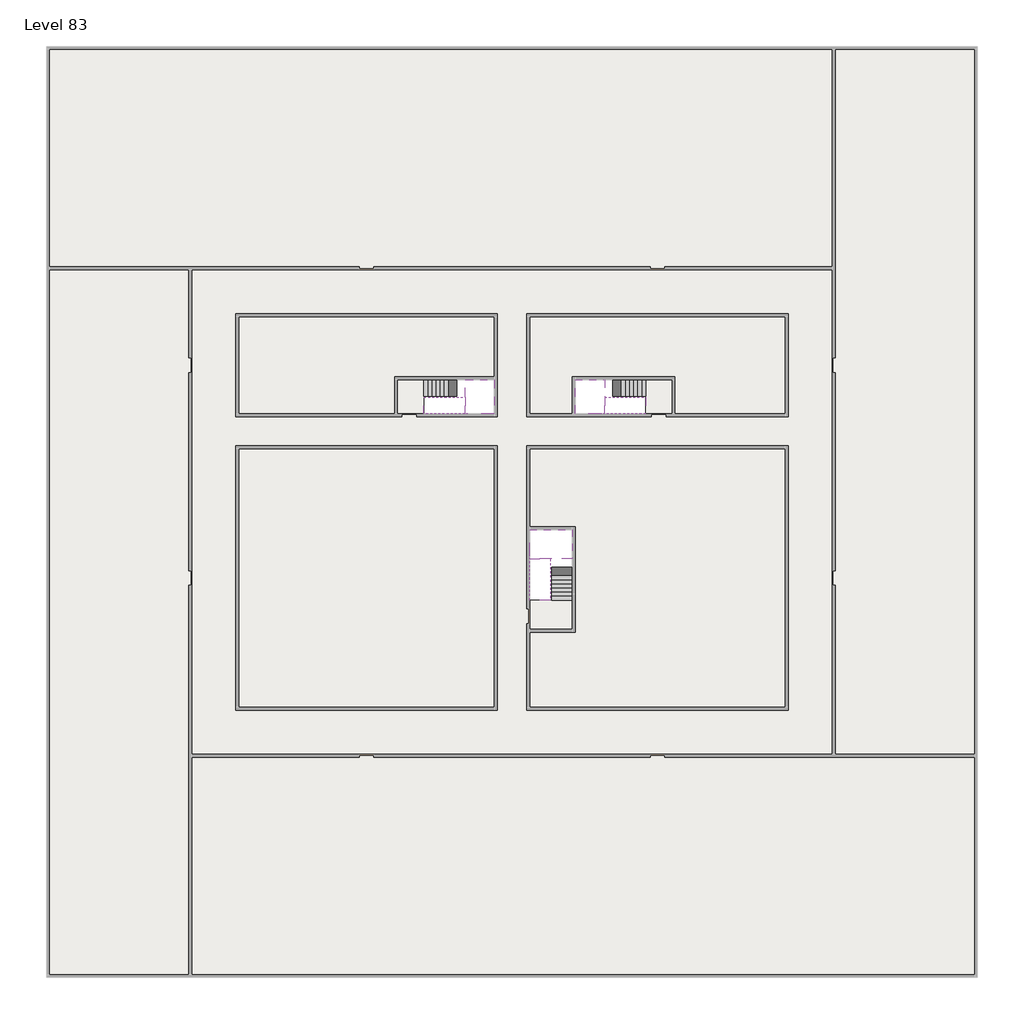
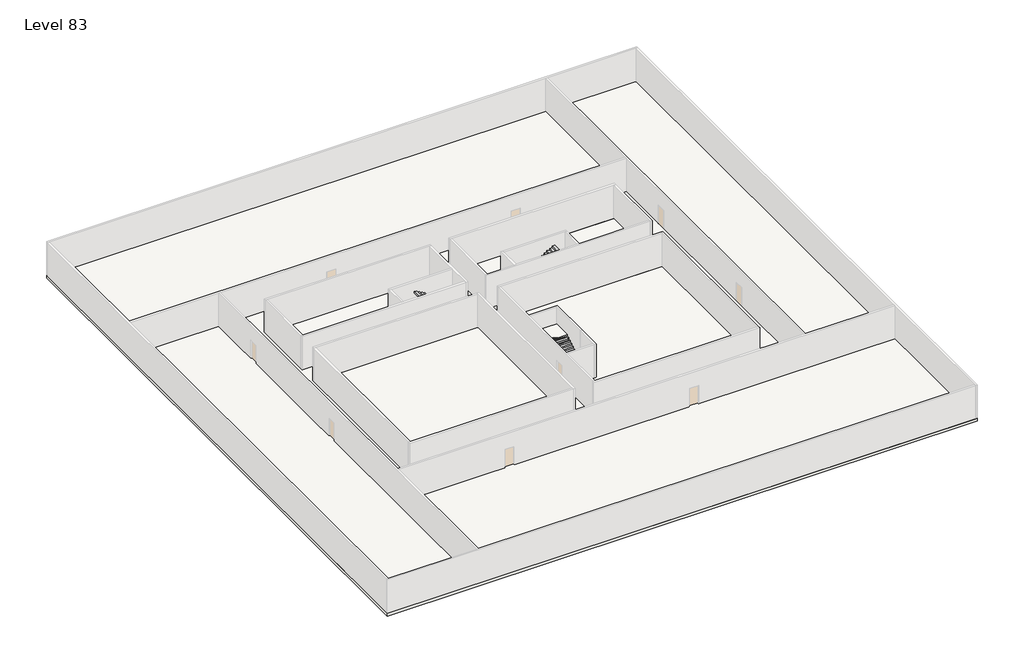
# One storey, part 2 of 2: 6 slabs, 6 stair flights.
"""IFC4 building model written with IfcOpenShell, lengths in millimetres."""

from ifc_helpers import new_model, si_unit, frame, origin, place, context, project, spatial, polyline, outline, extrude, faceted_brep, element, save

model = new_model("IFC4")

# Units and contexts
model_context = context("Model", 3, world=origin())
ifc_project = project(units=[si_unit("LENGTHUNIT", "METRE", prefix="MILLI")], contexts=[model_context])

# Site, building, storey
site = spatial("IfcSite", under=ifc_project)
building = spatial("IfcBuilding", under=site)
storey = spatial("IfcBuildingStorey", under=building, Name="Level 83", Elevation=311600.0)

# Slabs
placement = place(None, origin())
element("IfcSlab", 1, at=placement, inside=storey, context=model_context, shape_type="SweptSolid", body=[
    extrude(outline(polyline([(55890.1058784, -5518.09644), (55890.1058784, -68918.09644), (-7509.8941216, -68918.09644), (-7509.8941216, -5518.09644), (55890.1058784, -5518.09644)]), holes=[polyline([(22990.1058784, -23918.09644), (5590.1058784, -23918.09644), (5590.1058784, -30518.09644), (22990.1058784, -30518.09644), (22990.1058784, -23918.09644)]), polyline([(42990.1058784, -23918.09644), (25390.1058784, -23918.09644), (25390.1058784, -30518.09644), (42990.1058784, -30518.09644), (42990.1058784, -23918.09644)]), polyline([(25390.1058784, -50518.09644), (42790.1058784, -50518.09644), (42790.1058784, -32918.09644), (25390.1058784, -32918.09644), (25390.1058784, -50518.09644)]), polyline([(22990.1058784, -32918.09644), (5590.1058784, -32918.09644), (5590.1058784, -50518.09644), (22990.1058784, -50518.09644), (22990.1058784, -32918.09644)])]), frame((0.0, 0.0, 311300.0), z_axis=(0.0, 0.0, 1.0), x_axis=(1.0, 0.0, 0.0)), (0.0, 0.0, 1.0), 300.0),
])
element("IfcSlab", 2, at=placement, inside=storey, context=model_context, shape_type="SweptSolid", body=[
    extrude(outline(polyline([(22990.1058784, -23918.09644), (22990.1058784, -28018.09644), (16190.1058784, -28018.09644), (16190.1058784, -30518.09644), (5590.1058784, -30518.09644), (5590.1058784, -23918.09644), (22990.1058784, -23918.09644)])), frame((0.0, 0.0, 311300.0), z_axis=(0.0, 0.0, 1.0), x_axis=(1.0, 0.0, 0.0)), (0.0, 0.0, 1.0), 300.0),
    extrude(outline(polyline([(42790.1058784, -23918.09644), (42790.1058784, -30518.09644), (35290.1058784, -30518.09644), (35290.1058784, -28018.09644), (28490.1058784, -28018.09644), (28490.1058784, -30518.09644), (25390.1058784, -30518.09644), (25390.1058784, -23918.09644), (42790.1058784, -23918.09644)])), frame((0.0, 0.0, 311300.0), z_axis=(0.0, 0.0, 1.0), x_axis=(1.0, 0.0, 0.0)), (0.0, 0.0, 1.0), 300.0),
    extrude(outline(polyline([(22990.1058784, -32918.09644), (22990.1058784, -50518.09644), (5590.1058784, -50518.09644), (5590.1058784, -32918.09644), (22990.1058784, -32918.09644)])), frame((0.0, 0.0, 311300.0), z_axis=(0.0, 0.0, 1.0), x_axis=(1.0, 0.0, 0.0)), (0.0, 0.0, 1.0), 300.0),
    extrude(outline(polyline([(25390.1058784, -38218.09644), (25390.1058784, -32918.09644), (42790.1058784, -32918.09644), (42790.1058784, -50518.09644), (25390.1058784, -50518.09644), (25390.1058784, -45418.09644), (28490.1058784, -45418.09644), (28490.1058784, -38218.09644), (25390.1058784, -38218.09644)])), frame((0.0, 0.0, 311300.0), z_axis=(0.0, 0.0, 1.0), x_axis=(1.0, 0.0, 0.0)), (0.0, 0.0, 1.0), 300.0),
])
element("IfcSlab", 3, at=placement, inside=storey, context=model_context, shape_type="Brep", body=[
    faceted_brep([(26890.1058784, -40418.09644, 313500.0), (28290.1058784, -40418.09644, 313500.0), (28290.1058784, -40338.7100038, 313500.0), (28290.1058784, -38418.09644, 313500.0), (25390.1058784, -38418.09644, 313500.0), (25390.1058784, -40217.4828763, 313500.0), (25390.1058784, -40418.09644, 313500.0), (26790.1058784, -40418.09644, 313500.0), (26890.1058784, -40418.09644, 313200.0), (26890.1058784, -40418.09644, 313151.0278478), (28290.1058784, -40418.09644, 313151.0278478), (28290.1058784, -40418.09644, 313327.2727273), (28290.1058784, -40338.7100038, 313200.0), (28290.1058784, -38418.09644, 313200.0), (25390.1058784, -38418.09644, 313200.0), (25390.1058784, -40217.4828763, 313200.0), (25390.1058784, -40418.09644, 313323.7551205), (26790.1058784, -40418.09644, 313323.7551205), (26790.1058784, -40418.09644, 313200.0), (26790.1058784, -40217.4828763, 313200.0), (26890.1058784, -40338.7100038, 313200.0)], [[[0, 1, 2, 3, 4, 5, 6, 7]], [[1, 0, 8, 9, 10, 11]], [[1, 11, 10, 12, 13, 3, 2]], [[4, 3, 13, 14]], [[4, 14, 15, 16, 6, 5]], [[7, 6, 16, 17]], [[0, 7, 17, 18, 8]], [[18, 19, 15, 14, 13, 12, 20, 8]], [[19, 18, 17]], [[20, 12, 10, 9]], [[8, 20, 9]], [[15, 19, 17, 16]]]),
])
element("IfcSlab", 4, at=placement, inside=storey, context=model_context, shape_type="Brep", body=[
    faceted_brep([(20990.1058784, -28218.09644, 313500.0), (20990.1058784, -29318.09644, 313500.0), (20990.1058784, -29418.09644, 313500.0), (20990.1058784, -30518.09644, 313500.0), (21190.7194421, -30518.09644, 313500.0), (22990.1058784, -30518.09644, 313500.0), (22990.1058784, -28218.09644, 313500.0), (21069.4923146, -28218.09644, 313500.0), (20990.1058784, -28218.09644, 313327.2727273), (20990.1058784, -28218.09644, 313151.0278478), (20990.1058784, -29318.09644, 313151.0278478), (20990.1058784, -29318.09644, 313200.0), (20990.1058784, -29418.09644, 313200.0), (20990.1058784, -29418.09644, 313323.7551205), (20990.1058784, -30518.09644, 313323.7551205), (21190.7194421, -30518.09644, 313200.0), (22990.1058784, -30518.09644, 313200.0), (22990.1058784, -28218.09644, 313200.0), (21069.4923146, -28218.09644, 313200.0), (21190.7194421, -29418.09644, 313200.0), (21069.4923146, -29318.09644, 313200.0)], [[[0, 1, 2, 3, 4, 5, 6, 7]], [[1, 0, 8, 9, 10, 11]], [[2, 1, 11, 12, 13]], [[3, 2, 13, 14]], [[3, 14, 15, 16, 5, 4]], [[6, 5, 16, 17]], [[9, 8, 0, 7, 6, 17, 18]], [[19, 12, 11, 20, 18, 17, 16, 15]], [[12, 19, 13]], [[18, 20, 10, 9]], [[20, 11, 10]], [[19, 15, 14, 13]]]),
])
element("IfcSlab", 5, at=placement, inside=storey, context=model_context, shape_type="Brep", body=[
    faceted_brep([(30490.1058784, -29318.09644, 313500.0), (30490.1058784, -28218.09644, 313500.0), (30410.7194421, -28218.09644, 313500.0), (28490.1058784, -28218.09644, 313500.0), (28490.1058784, -30518.09644, 313500.0), (30289.4923146, -30518.09644, 313500.0), (30490.1058784, -30518.09644, 313500.0), (30490.1058784, -29418.09644, 313500.0), (30490.1058784, -29318.09644, 313200.0), (30490.1058784, -29318.09644, 313151.0278478), (30490.1058784, -28218.09644, 313151.0278478), (30490.1058784, -28218.09644, 313327.2727273), (30490.1058784, -29418.09644, 313323.7551205), (30490.1058784, -29418.09644, 313200.0), (30490.1058784, -30518.09644, 313323.7551205), (28490.1058784, -30518.09644, 313200.0), (30289.4923146, -30518.09644, 313200.0), (28490.1058784, -28218.09644, 313200.0), (30410.7194421, -28218.09644, 313200.0), (30289.4923146, -29418.09644, 313200.0), (30410.7194421, -29318.09644, 313200.0)], [[[0, 1, 2, 3, 4, 5, 6, 7]], [[1, 0, 8, 9, 10, 11]], [[0, 7, 12, 13, 8]], [[7, 6, 14, 12]], [[4, 15, 16, 14, 6, 5]], [[4, 3, 17, 15]], [[1, 11, 10, 18, 17, 3, 2]], [[13, 19, 16, 15, 17, 18, 20, 8]], [[20, 18, 10, 9]], [[8, 20, 9]], [[16, 19, 12, 14]], [[19, 13, 12]]]),
])
element("IfcSlab", 6, at=placement, inside=storey, context=model_context, shape_type="SweptSolid", body=[
    extrude(outline(polyline([(35090.1058784, -28218.09644), (35090.1058784, -30518.09644), (33290.1058784, -30518.09644), (33290.1058784, -28218.09644), (35090.1058784, -28218.09644)])), frame((0.0, 0.0, 311300.0), z_axis=(0.0, 0.0, 1.0), x_axis=(1.0, 0.0, 0.0)), (0.0, 0.0, 1.0), 300.0),
    extrude(outline(polyline([(18190.1058784, -28218.09644), (18190.1058784, -30518.09644), (16390.1058784, -30518.09644), (16390.1058784, -28218.09644), (18190.1058784, -28218.09644)])), frame((0.0, 0.0, 311300.0), z_axis=(0.0, 0.0, 1.0), x_axis=(1.0, 0.0, 0.0)), (0.0, 0.0, 1.0), 300.0),
    extrude(outline(polyline([(28290.1058784, -43218.09644), (28290.1058784, -45218.09644), (25390.1058784, -45218.09644), (25390.1058784, -43218.09644), (28290.1058784, -43218.09644)])), frame((0.0, 0.0, 311300.0), z_axis=(0.0, 0.0, 1.0), x_axis=(1.0, 0.0, 0.0)), (0.0, 0.0, 1.0), 300.0),
])

# Stair flights
element("IfcStairFlight", 7, at=placement, inside=storey, context=model_context, shape_type="Brep", body=[
    faceted_brep([(26890.1058784, -42938.09644, 311772.7272727), (26890.1058784, -43218.09644, 311772.7272727), (28290.1058784, -43218.09644, 311772.7272727), (28290.1058784, -42938.09644, 311772.7272727), (26890.1058784, -42938.09644, 311600.0), (26890.1058784, -43218.09644, 311600.0), (28290.1058784, -43218.09644, 311600.0), (28290.1058784, -42938.09644, 311600.0), (26890.1058784, -42658.09644, 311945.4545455), (26890.1058784, -42938.09644, 311945.4545455), (28290.1058784, -42938.09644, 311945.4545455), (28290.1058784, -42658.09644, 311945.4545455), (26890.1058784, -42658.09644, 311769.209666), (26890.1058784, -42932.3942143, 311600.0), (28290.1058784, -42932.3942143, 311600.0), (28290.1058784, -42658.09644, 311769.209666), (26890.1058784, -42378.09644, 312118.1818182), (26890.1058784, -42658.09644, 312118.1818182), (28290.1058784, -42658.09644, 312118.1818182), (28290.1058784, -42378.09644, 312118.1818182), (26890.1058784, -42378.09644, 311941.9369387), (28290.1058784, -42378.09644, 311941.9369387), (26890.1058784, -42098.09644, 312290.9090909), (26890.1058784, -42378.09644, 312290.9090909), (28290.1058784, -42378.09644, 312290.9090909), (28290.1058784, -42098.09644, 312290.9090909), (26890.1058784, -42098.09644, 312114.6642114), (28290.1058784, -42098.09644, 312114.6642114), (26890.1058784, -41818.09644, 312463.6363636), (26890.1058784, -42098.09644, 312463.6363636), (28290.1058784, -42098.09644, 312463.6363636), (28290.1058784, -41818.09644, 312463.6363636), (26890.1058784, -41818.09644, 312287.3914841), (28290.1058784, -41818.09644, 312287.3914841), (26890.1058784, -41538.09644, 312636.3636364), (26890.1058784, -41818.09644, 312636.3636364), (28290.1058784, -41818.09644, 312636.3636364), (28290.1058784, -41538.09644, 312636.3636364), (26890.1058784, -41538.09644, 312460.1187569), (28290.1058784, -41538.09644, 312460.1187569), (26890.1058784, -41258.09644, 312809.0909091), (26890.1058784, -41538.09644, 312809.0909091), (28290.1058784, -41538.09644, 312809.0909091), (28290.1058784, -41258.09644, 312809.0909091), (26890.1058784, -41258.09644, 312632.8460296), (28290.1058784, -41258.09644, 312632.8460296), (26890.1058784, -40978.09644, 312981.8181818), (26890.1058784, -41258.09644, 312981.8181818), (28290.1058784, -41258.09644, 312981.8181818), (28290.1058784, -40978.09644, 312981.8181818), (26890.1058784, -40978.09644, 312805.5733023), (28290.1058784, -40978.09644, 312805.5733023), (26890.1058784, -40698.09644, 313154.5454545), (26890.1058784, -40978.09644, 313154.5454545), (28290.1058784, -40978.09644, 313154.5454545), (28290.1058784, -40698.09644, 313154.5454545), (26890.1058784, -40698.09644, 312978.3005751), (28290.1058784, -40698.09644, 312978.3005751), (26890.1058784, -40418.09644, 313327.2727273), (26890.1058784, -40698.09644, 313327.2727273), (28290.1058784, -40698.09644, 313327.2727273), (28290.1058784, -40418.09644, 313327.2727273), (26890.1058784, -40418.09644, 313200.0), (26890.1058784, -40418.09644, 313151.0278478), (28290.1058784, -40418.09644, 313151.0278478)], [[[0, 1, 2, 3]], [[1, 0, 4, 5]], [[2, 1, 5, 6]], [[3, 2, 6, 7]], [[8, 9, 10, 11]], [[4, 0, 9, 8, 12, 13]], [[0, 3, 10, 9]], [[3, 7, 14, 15, 11, 10]], [[16, 17, 18, 19]], [[17, 16, 20, 12, 8]], [[8, 11, 18, 17]], [[19, 18, 11, 15, 21]], [[22, 23, 24, 25]], [[23, 22, 26, 20, 16]], [[16, 19, 24, 23]], [[25, 24, 19, 21, 27]], [[28, 29, 30, 31]], [[29, 28, 32, 26, 22]], [[22, 25, 30, 29]], [[31, 30, 25, 27, 33]], [[34, 35, 36, 37]], [[35, 34, 38, 32, 28]], [[28, 31, 36, 35]], [[37, 36, 31, 33, 39]], [[40, 41, 42, 43]], [[41, 40, 44, 38, 34]], [[34, 37, 42, 41]], [[43, 42, 37, 39, 45]], [[46, 47, 48, 49]], [[47, 46, 50, 44, 40]], [[40, 43, 48, 47]], [[49, 48, 43, 45, 51]], [[52, 53, 54, 55]], [[53, 52, 56, 50, 46]], [[46, 49, 54, 53]], [[55, 54, 49, 51, 57]], [[58, 59, 60, 61]], [[59, 58, 62, 63, 56, 52]], [[52, 55, 60, 59]], [[61, 60, 55, 57, 64]], [[58, 61, 64, 63, 62]], [[5, 4, 13, 14, 7, 6]], [[14, 13, 12, 20, 26, 32, 38, 44, 50, 56, 63, 64, 57, 51, 45, 39, 33, 27, 21, 15]]]),
])
element("IfcStairFlight", 8, at=placement, inside=storey, context=model_context, shape_type="Brep", body=[
    faceted_brep([(26790.1058784, -40698.09644, 313672.7272727), (26790.1058784, -40418.09644, 313672.7272727), (25390.1058784, -40418.09644, 313672.7272727), (25390.1058784, -40698.09644, 313672.7272727), (26790.1058784, -40698.09644, 313496.4823932), (26790.1058784, -40418.09644, 313323.7551205), (25390.1058784, -40418.09644, 313323.7551205), (25390.1058784, -40418.09644, 313500.0), (25390.1058784, -40698.09644, 313496.4823932), (26790.1058784, -40978.09644, 313845.4545455), (26790.1058784, -40698.09644, 313845.4545455), (25390.1058784, -40698.09644, 313845.4545455), (25390.1058784, -40978.09644, 313845.4545455), (26790.1058784, -40978.09644, 313669.209666), (25390.1058784, -40978.09644, 313669.209666), (26790.1058784, -41258.09644, 314018.1818182), (26790.1058784, -40978.09644, 314018.1818182), (25390.1058784, -40978.09644, 314018.1818182), (25390.1058784, -41258.09644, 314018.1818182), (26790.1058784, -41258.09644, 313841.9369387), (25390.1058784, -41258.09644, 313841.9369387), (26790.1058784, -41538.09644, 314190.9090909), (26790.1058784, -41258.09644, 314190.9090909), (25390.1058784, -41258.09644, 314190.9090909), (25390.1058784, -41538.09644, 314190.9090909), (26790.1058784, -41538.09644, 314014.6642114), (25390.1058784, -41538.09644, 314014.6642114), (26790.1058784, -41818.09644, 314363.6363636), (26790.1058784, -41538.09644, 314363.6363636), (25390.1058784, -41538.09644, 314363.6363636), (25390.1058784, -41818.09644, 314363.6363636), (26790.1058784, -41818.09644, 314187.3914841), (25390.1058784, -41818.09644, 314187.3914841), (26790.1058784, -42098.09644, 314536.3636364), (26790.1058784, -41818.09644, 314536.3636364), (25390.1058784, -41818.09644, 314536.3636364), (25390.1058784, -42098.09644, 314536.3636364), (26790.1058784, -42098.09644, 314360.1187569), (25390.1058784, -42098.09644, 314360.1187569), (26790.1058784, -42378.09644, 314709.0909091), (26790.1058784, -42098.09644, 314709.0909091), (25390.1058784, -42098.09644, 314709.0909091), (25390.1058784, -42378.09644, 314709.0909091), (26790.1058784, -42378.09644, 314532.8460296), (25390.1058784, -42378.09644, 314532.8460296), (26790.1058784, -42658.09644, 314881.8181818), (26790.1058784, -42378.09644, 314881.8181818), (25390.1058784, -42378.09644, 314881.8181818), (25390.1058784, -42658.09644, 314881.8181818), (26790.1058784, -42658.09644, 314705.5733023), (25390.1058784, -42658.09644, 314705.5733023), (26790.1058784, -42938.09644, 315054.5454545), (26790.1058784, -42658.09644, 315054.5454545), (25390.1058784, -42658.09644, 315054.5454545), (25390.1058784, -42938.09644, 315054.5454545), (26790.1058784, -42938.09644, 314878.3005751), (25390.1058784, -42938.09644, 314878.3005751), (26790.1058784, -43218.09644, 315227.2727273), (26790.1058784, -42938.09644, 315227.2727273), (25390.1058784, -42938.09644, 315227.2727273), (25390.1058784, -43218.09644, 315227.2727273), (26790.1058784, -43218.09644, 315051.0278478), (25390.1058784, -43218.09644, 315051.0278478)], [[[0, 1, 2, 3]], [[1, 0, 4, 5]], [[2, 1, 5, 6, 7]], [[3, 2, 7, 6, 8]], [[9, 10, 11, 12]], [[10, 9, 13, 4, 0]], [[11, 10, 0, 3]], [[12, 11, 3, 8, 14]], [[15, 16, 17, 18]], [[16, 15, 19, 13, 9]], [[17, 16, 9, 12]], [[18, 17, 12, 14, 20]], [[21, 22, 23, 24]], [[22, 21, 25, 19, 15]], [[23, 22, 15, 18]], [[24, 23, 18, 20, 26]], [[27, 28, 29, 30]], [[28, 27, 31, 25, 21]], [[29, 28, 21, 24]], [[30, 29, 24, 26, 32]], [[33, 34, 35, 36]], [[34, 33, 37, 31, 27]], [[35, 34, 27, 30]], [[36, 35, 30, 32, 38]], [[39, 40, 41, 42]], [[40, 39, 43, 37, 33]], [[41, 40, 33, 36]], [[42, 41, 36, 38, 44]], [[45, 46, 47, 48]], [[46, 45, 49, 43, 39]], [[47, 46, 39, 42]], [[48, 47, 42, 44, 50]], [[51, 52, 53, 54]], [[52, 51, 55, 49, 45]], [[53, 52, 45, 48]], [[54, 53, 48, 50, 56]], [[57, 58, 59, 60]], [[58, 57, 61, 55, 51]], [[59, 58, 51, 54]], [[60, 59, 54, 56, 62]], [[57, 60, 62, 61]], [[5, 4, 13, 19, 25, 31, 37, 43, 49, 55, 61, 62, 56, 50, 44, 38, 32, 26, 20, 14, 8, 6]]]),
])
element("IfcStairFlight", 9, at=placement, inside=storey, context=model_context, shape_type="Brep", body=[
    faceted_brep([(18470.1058784, -28218.09644, 311772.7272727), (18190.1058784, -28218.09644, 311772.7272727), (18190.1058784, -29318.09644, 311772.7272727), (18470.1058784, -29318.09644, 311772.7272727), (18470.1058784, -28218.09644, 311600.0), (18190.1058784, -28218.09644, 311600.0), (18190.1058784, -29318.09644, 311600.0), (18470.1058784, -29318.09644, 311600.0), (18750.1058784, -28218.09644, 311945.4545455), (18470.1058784, -28218.09644, 311945.4545455), (18470.1058784, -29318.09644, 311945.4545455), (18750.1058784, -29318.09644, 311945.4545455), (18750.1058784, -28218.09644, 311769.209666), (18475.8081041, -28218.09644, 311600.0), (18475.8081041, -29318.09644, 311600.0), (18750.1058784, -29318.09644, 311769.209666), (19030.1058784, -28218.09644, 312118.1818182), (18750.1058784, -28218.09644, 312118.1818182), (18750.1058784, -29318.09644, 312118.1818182), (19030.1058784, -29318.09644, 312118.1818182), (19030.1058784, -28218.09644, 311941.9369387), (19030.1058784, -29318.09644, 311941.9369387), (19310.1058784, -28218.09644, 312290.9090909), (19030.1058784, -28218.09644, 312290.9090909), (19030.1058784, -29318.09644, 312290.9090909), (19310.1058784, -29318.09644, 312290.9090909), (19310.1058784, -28218.09644, 312114.6642114), (19310.1058784, -29318.09644, 312114.6642114), (19590.1058784, -28218.09644, 312463.6363636), (19310.1058784, -28218.09644, 312463.6363636), (19310.1058784, -29318.09644, 312463.6363636), (19590.1058784, -29318.09644, 312463.6363636), (19590.1058784, -28218.09644, 312287.3914841), (19590.1058784, -29318.09644, 312287.3914841), (19870.1058784, -28218.09644, 312636.3636364), (19590.1058784, -28218.09644, 312636.3636364), (19590.1058784, -29318.09644, 312636.3636364), (19870.1058784, -29318.09644, 312636.3636364), (19870.1058784, -28218.09644, 312460.1187569), (19870.1058784, -29318.09644, 312460.1187569), (20150.1058784, -28218.09644, 312809.0909091), (19870.1058784, -28218.09644, 312809.0909091), (19870.1058784, -29318.09644, 312809.0909091), (20150.1058784, -29318.09644, 312809.0909091), (20150.1058784, -28218.09644, 312632.8460296), (20150.1058784, -29318.09644, 312632.8460296), (20430.1058784, -28218.09644, 312981.8181818), (20150.1058784, -28218.09644, 312981.8181818), (20150.1058784, -29318.09644, 312981.8181818), (20430.1058784, -29318.09644, 312981.8181818), (20430.1058784, -28218.09644, 312805.5733023), (20430.1058784, -29318.09644, 312805.5733023), (20710.1058784, -28218.09644, 313154.5454545), (20430.1058784, -28218.09644, 313154.5454545), (20430.1058784, -29318.09644, 313154.5454545), (20710.1058784, -29318.09644, 313154.5454545), (20710.1058784, -28218.09644, 312978.3005751), (20710.1058784, -29318.09644, 312978.3005751), (20990.1058784, -28218.09644, 313327.2727273), (20710.1058784, -28218.09644, 313327.2727273), (20710.1058784, -29318.09644, 313327.2727273), (20990.1058784, -29318.09644, 313327.2727273), (20990.1058784, -28218.09644, 313151.0278478), (20990.1058784, -29318.09644, 313151.0278478), (20990.1058784, -29318.09644, 313200.0)], [[[0, 1, 2, 3]], [[1, 0, 4, 5]], [[2, 1, 5, 6]], [[3, 2, 6, 7]], [[8, 9, 10, 11]], [[4, 0, 9, 8, 12, 13]], [[0, 3, 10, 9]], [[3, 7, 14, 15, 11, 10]], [[16, 17, 18, 19]], [[17, 16, 20, 12, 8]], [[8, 11, 18, 17]], [[19, 18, 11, 15, 21]], [[22, 23, 24, 25]], [[23, 22, 26, 20, 16]], [[16, 19, 24, 23]], [[25, 24, 19, 21, 27]], [[28, 29, 30, 31]], [[29, 28, 32, 26, 22]], [[22, 25, 30, 29]], [[31, 30, 25, 27, 33]], [[34, 35, 36, 37]], [[35, 34, 38, 32, 28]], [[28, 31, 36, 35]], [[37, 36, 31, 33, 39]], [[40, 41, 42, 43]], [[41, 40, 44, 38, 34]], [[34, 37, 42, 41]], [[43, 42, 37, 39, 45]], [[46, 47, 48, 49]], [[47, 46, 50, 44, 40]], [[40, 43, 48, 47]], [[49, 48, 43, 45, 51]], [[52, 53, 54, 55]], [[53, 52, 56, 50, 46]], [[46, 49, 54, 53]], [[55, 54, 49, 51, 57]], [[58, 59, 60, 61]], [[59, 58, 62, 56, 52]], [[52, 55, 60, 59]], [[61, 60, 55, 57, 63, 64]], [[58, 61, 64, 63, 62]], [[5, 4, 13, 14, 7, 6]], [[14, 13, 12, 20, 26, 32, 38, 44, 50, 56, 62, 63, 57, 51, 45, 39, 33, 27, 21, 15]]]),
])
element("IfcStairFlight", 10, at=placement, inside=storey, context=model_context, shape_type="Brep", body=[
    faceted_brep([(20710.1058784, -30518.09644, 313672.7272727), (20990.1058784, -30518.09644, 313672.7272727), (20990.1058784, -29418.09644, 313672.7272727), (20710.1058784, -29418.09644, 313672.7272727), (20710.1058784, -30518.09644, 313496.4823932), (20990.1058784, -30518.09644, 313323.7551205), (20990.1058784, -30518.09644, 313500.0), (20990.1058784, -29418.09644, 313323.7551205), (20710.1058784, -29418.09644, 313496.4823932), (20430.1058784, -30518.09644, 313845.4545455), (20710.1058784, -30518.09644, 313845.4545455), (20710.1058784, -29418.09644, 313845.4545455), (20430.1058784, -29418.09644, 313845.4545455), (20430.1058784, -30518.09644, 313669.209666), (20430.1058784, -29418.09644, 313669.209666), (20150.1058784, -30518.09644, 314018.1818182), (20430.1058784, -30518.09644, 314018.1818182), (20430.1058784, -29418.09644, 314018.1818182), (20150.1058784, -29418.09644, 314018.1818182), (20150.1058784, -30518.09644, 313841.9369387), (20150.1058784, -29418.09644, 313841.9369387), (19870.1058784, -30518.09644, 314190.9090909), (20150.1058784, -30518.09644, 314190.9090909), (20150.1058784, -29418.09644, 314190.9090909), (19870.1058784, -29418.09644, 314190.9090909), (19870.1058784, -30518.09644, 314014.6642114), (19870.1058784, -29418.09644, 314014.6642114), (19590.1058784, -30518.09644, 314363.6363636), (19870.1058784, -30518.09644, 314363.6363636), (19870.1058784, -29418.09644, 314363.6363636), (19590.1058784, -29418.09644, 314363.6363636), (19590.1058784, -30518.09644, 314187.3914841), (19590.1058784, -29418.09644, 314187.3914841), (19310.1058784, -30518.09644, 314536.3636364), (19590.1058784, -30518.09644, 314536.3636364), (19590.1058784, -29418.09644, 314536.3636364), (19310.1058784, -29418.09644, 314536.3636364), (19310.1058784, -30518.09644, 314360.1187569), (19310.1058784, -29418.09644, 314360.1187569), (19030.1058784, -30518.09644, 314709.0909091), (19310.1058784, -30518.09644, 314709.0909091), (19310.1058784, -29418.09644, 314709.0909091), (19030.1058784, -29418.09644, 314709.0909091), (19030.1058784, -30518.09644, 314532.8460296), (19030.1058784, -29418.09644, 314532.8460296), (18750.1058784, -30518.09644, 314881.8181818), (19030.1058784, -30518.09644, 314881.8181818), (19030.1058784, -29418.09644, 314881.8181818), (18750.1058784, -29418.09644, 314881.8181818), (18750.1058784, -30518.09644, 314705.5733023), (18750.1058784, -29418.09644, 314705.5733023), (18470.1058784, -30518.09644, 315054.5454545), (18750.1058784, -30518.09644, 315054.5454545), (18750.1058784, -29418.09644, 315054.5454545), (18470.1058784, -29418.09644, 315054.5454545), (18470.1058784, -30518.09644, 314878.3005751), (18470.1058784, -29418.09644, 314878.3005751), (18190.1058784, -30518.09644, 315227.2727273), (18470.1058784, -30518.09644, 315227.2727273), (18470.1058784, -29418.09644, 315227.2727273), (18190.1058784, -29418.09644, 315227.2727273), (18190.1058784, -30518.09644, 315051.0278478), (18190.1058784, -29418.09644, 315051.0278478)], [[[0, 1, 2, 3]], [[1, 0, 4, 5, 6]], [[2, 1, 6, 5, 7]], [[3, 2, 7, 8]], [[9, 10, 11, 12]], [[10, 9, 13, 4, 0]], [[11, 10, 0, 3]], [[12, 11, 3, 8, 14]], [[15, 16, 17, 18]], [[16, 15, 19, 13, 9]], [[17, 16, 9, 12]], [[18, 17, 12, 14, 20]], [[21, 22, 23, 24]], [[22, 21, 25, 19, 15]], [[23, 22, 15, 18]], [[24, 23, 18, 20, 26]], [[27, 28, 29, 30]], [[28, 27, 31, 25, 21]], [[29, 28, 21, 24]], [[30, 29, 24, 26, 32]], [[33, 34, 35, 36]], [[34, 33, 37, 31, 27]], [[35, 34, 27, 30]], [[36, 35, 30, 32, 38]], [[39, 40, 41, 42]], [[40, 39, 43, 37, 33]], [[41, 40, 33, 36]], [[42, 41, 36, 38, 44]], [[45, 46, 47, 48]], [[46, 45, 49, 43, 39]], [[47, 46, 39, 42]], [[48, 47, 42, 44, 50]], [[51, 52, 53, 54]], [[52, 51, 55, 49, 45]], [[53, 52, 45, 48]], [[54, 53, 48, 50, 56]], [[57, 58, 59, 60]], [[58, 57, 61, 55, 51]], [[59, 58, 51, 54]], [[60, 59, 54, 56, 62]], [[57, 60, 62, 61]], [[5, 4, 13, 19, 25, 31, 37, 43, 49, 55, 61, 62, 56, 50, 44, 38, 32, 26, 20, 14, 8, 7]]]),
])
element("IfcStairFlight", 11, at=placement, inside=storey, context=model_context, shape_type="Brep", body=[
    faceted_brep([(33010.1058784, -29318.09644, 311772.7272727), (33290.1058784, -29318.09644, 311772.7272727), (33290.1058784, -28218.09644, 311772.7272727), (33010.1058784, -28218.09644, 311772.7272727), (33290.1058784, -28218.09644, 311600.0), (33010.1058784, -28218.09644, 311600.0), (33290.1058784, -29318.09644, 311600.0), (33010.1058784, -29318.09644, 311600.0), (32730.1058784, -29318.09644, 311945.4545455), (33010.1058784, -29318.09644, 311945.4545455), (33010.1058784, -28218.09644, 311945.4545455), (32730.1058784, -28218.09644, 311945.4545455), (33004.4036527, -28218.09644, 311600.0), (32730.1058784, -28218.09644, 311769.209666), (32730.1058784, -29318.09644, 311769.209666), (33004.4036527, -29318.09644, 311600.0), (32450.1058784, -29318.09644, 312118.1818182), (32730.1058784, -29318.09644, 312118.1818182), (32730.1058784, -28218.09644, 312118.1818182), (32450.1058784, -28218.09644, 312118.1818182), (32450.1058784, -28218.09644, 311941.9369387), (32450.1058784, -29318.09644, 311941.9369387), (32170.1058784, -29318.09644, 312290.9090909), (32450.1058784, -29318.09644, 312290.9090909), (32450.1058784, -28218.09644, 312290.9090909), (32170.1058784, -28218.09644, 312290.9090909), (32170.1058784, -28218.09644, 312114.6642114), (32170.1058784, -29318.09644, 312114.6642114), (31890.1058784, -29318.09644, 312463.6363636), (32170.1058784, -29318.09644, 312463.6363636), (32170.1058784, -28218.09644, 312463.6363636), (31890.1058784, -28218.09644, 312463.6363636), (31890.1058784, -28218.09644, 312287.3914841), (31890.1058784, -29318.09644, 312287.3914841), (31610.1058784, -29318.09644, 312636.3636364), (31890.1058784, -29318.09644, 312636.3636364), (31890.1058784, -28218.09644, 312636.3636364), (31610.1058784, -28218.09644, 312636.3636364), (31610.1058784, -28218.09644, 312460.1187569), (31610.1058784, -29318.09644, 312460.1187569), (31330.1058784, -29318.09644, 312809.0909091), (31610.1058784, -29318.09644, 312809.0909091), (31610.1058784, -28218.09644, 312809.0909091), (31330.1058784, -28218.09644, 312809.0909091), (31330.1058784, -28218.09644, 312632.8460296), (31330.1058784, -29318.09644, 312632.8460296), (31050.1058784, -29318.09644, 312981.8181818), (31330.1058784, -29318.09644, 312981.8181818), (31330.1058784, -28218.09644, 312981.8181818), (31050.1058784, -28218.09644, 312981.8181818), (31050.1058784, -28218.09644, 312805.5733023), (31050.1058784, -29318.09644, 312805.5733023), (30770.1058784, -29318.09644, 313154.5454545), (31050.1058784, -29318.09644, 313154.5454545), (31050.1058784, -28218.09644, 313154.5454545), (30770.1058784, -28218.09644, 313154.5454545), (30770.1058784, -28218.09644, 312978.3005751), (30770.1058784, -29318.09644, 312978.3005751), (30490.1058784, -29318.09644, 313327.2727273), (30770.1058784, -29318.09644, 313327.2727273), (30770.1058784, -28218.09644, 313327.2727273), (30490.1058784, -28218.09644, 313327.2727273), (30490.1058784, -28218.09644, 313151.0278478), (30490.1058784, -29318.09644, 313200.0), (30490.1058784, -29318.09644, 313151.0278478)], [[[0, 1, 2, 3]], [[3, 2, 4, 5]], [[2, 1, 6, 4]], [[1, 0, 7, 6]], [[8, 9, 10, 11]], [[3, 5, 12, 13, 11, 10]], [[0, 3, 10, 9]], [[7, 0, 9, 8, 14, 15]], [[16, 17, 18, 19]], [[19, 18, 11, 13, 20]], [[8, 11, 18, 17]], [[17, 16, 21, 14, 8]], [[22, 23, 24, 25]], [[25, 24, 19, 20, 26]], [[16, 19, 24, 23]], [[23, 22, 27, 21, 16]], [[28, 29, 30, 31]], [[31, 30, 25, 26, 32]], [[22, 25, 30, 29]], [[29, 28, 33, 27, 22]], [[34, 35, 36, 37]], [[37, 36, 31, 32, 38]], [[28, 31, 36, 35]], [[35, 34, 39, 33, 28]], [[40, 41, 42, 43]], [[43, 42, 37, 38, 44]], [[34, 37, 42, 41]], [[41, 40, 45, 39, 34]], [[46, 47, 48, 49]], [[49, 48, 43, 44, 50]], [[40, 43, 48, 47]], [[47, 46, 51, 45, 40]], [[52, 53, 54, 55]], [[55, 54, 49, 50, 56]], [[46, 49, 54, 53]], [[53, 52, 57, 51, 46]], [[58, 59, 60, 61]], [[61, 60, 55, 56, 62]], [[52, 55, 60, 59]], [[59, 58, 63, 64, 57, 52]], [[58, 61, 62, 64, 63]], [[6, 7, 15, 12, 5, 4]], [[12, 15, 14, 21, 27, 33, 39, 45, 51, 57, 64, 62, 56, 50, 44, 38, 32, 26, 20, 13]]]),
])
element("IfcStairFlight", 12, at=placement, inside=storey, context=model_context, shape_type="Brep", body=[
    faceted_brep([(30770.1058784, -29418.09644, 313672.7272727), (30490.1058784, -29418.09644, 313672.7272727), (30490.1058784, -30518.09644, 313672.7272727), (30770.1058784, -30518.09644, 313672.7272727), (30490.1058784, -30518.09644, 313500.0), (30490.1058784, -30518.09644, 313323.7551205), (30770.1058784, -30518.09644, 313496.4823932), (30490.1058784, -29418.09644, 313323.7551205), (30770.1058784, -29418.09644, 313496.4823932), (31050.1058784, -29418.09644, 313845.4545455), (30770.1058784, -29418.09644, 313845.4545455), (30770.1058784, -30518.09644, 313845.4545455), (31050.1058784, -30518.09644, 313845.4545455), (31050.1058784, -30518.09644, 313669.209666), (31050.1058784, -29418.09644, 313669.209666), (31330.1058784, -29418.09644, 314018.1818182), (31050.1058784, -29418.09644, 314018.1818182), (31050.1058784, -30518.09644, 314018.1818182), (31330.1058784, -30518.09644, 314018.1818182), (31330.1058784, -30518.09644, 313841.9369387), (31330.1058784, -29418.09644, 313841.9369387), (31610.1058784, -29418.09644, 314190.9090909), (31330.1058784, -29418.09644, 314190.9090909), (31330.1058784, -30518.09644, 314190.9090909), (31610.1058784, -30518.09644, 314190.9090909), (31610.1058784, -30518.09644, 314014.6642114), (31610.1058784, -29418.09644, 314014.6642114), (31890.1058784, -29418.09644, 314363.6363636), (31610.1058784, -29418.09644, 314363.6363636), (31610.1058784, -30518.09644, 314363.6363636), (31890.1058784, -30518.09644, 314363.6363636), (31890.1058784, -30518.09644, 314187.3914841), (31890.1058784, -29418.09644, 314187.3914841), (32170.1058784, -29418.09644, 314536.3636364), (31890.1058784, -29418.09644, 314536.3636364), (31890.1058784, -30518.09644, 314536.3636364), (32170.1058784, -30518.09644, 314536.3636364), (32170.1058784, -30518.09644, 314360.1187569), (32170.1058784, -29418.09644, 314360.1187569), (32450.1058784, -29418.09644, 314709.0909091), (32170.1058784, -29418.09644, 314709.0909091), (32170.1058784, -30518.09644, 314709.0909091), (32450.1058784, -30518.09644, 314709.0909091), (32450.1058784, -30518.09644, 314532.8460296), (32450.1058784, -29418.09644, 314532.8460296), (32730.1058784, -29418.09644, 314881.8181818), (32450.1058784, -29418.09644, 314881.8181818), (32450.1058784, -30518.09644, 314881.8181818), (32730.1058784, -30518.09644, 314881.8181818), (32730.1058784, -30518.09644, 314705.5733023), (32730.1058784, -29418.09644, 314705.5733023), (33010.1058784, -29418.09644, 315054.5454545), (32730.1058784, -29418.09644, 315054.5454545), (32730.1058784, -30518.09644, 315054.5454545), (33010.1058784, -30518.09644, 315054.5454545), (33010.1058784, -30518.09644, 314878.3005751), (33010.1058784, -29418.09644, 314878.3005751), (33290.1058784, -29418.09644, 315227.2727273), (33010.1058784, -29418.09644, 315227.2727273), (33010.1058784, -30518.09644, 315227.2727273), (33290.1058784, -30518.09644, 315227.2727273), (33290.1058784, -30518.09644, 315051.0278478), (33290.1058784, -29418.09644, 315051.0278478)], [[[0, 1, 2, 3]], [[3, 2, 4, 5, 6]], [[2, 1, 7, 5, 4]], [[1, 0, 8, 7]], [[9, 10, 11, 12]], [[12, 11, 3, 6, 13]], [[11, 10, 0, 3]], [[10, 9, 14, 8, 0]], [[15, 16, 17, 18]], [[18, 17, 12, 13, 19]], [[17, 16, 9, 12]], [[16, 15, 20, 14, 9]], [[21, 22, 23, 24]], [[24, 23, 18, 19, 25]], [[23, 22, 15, 18]], [[22, 21, 26, 20, 15]], [[27, 28, 29, 30]], [[30, 29, 24, 25, 31]], [[29, 28, 21, 24]], [[28, 27, 32, 26, 21]], [[33, 34, 35, 36]], [[36, 35, 30, 31, 37]], [[35, 34, 27, 30]], [[34, 33, 38, 32, 27]], [[39, 40, 41, 42]], [[42, 41, 36, 37, 43]], [[41, 40, 33, 36]], [[40, 39, 44, 38, 33]], [[45, 46, 47, 48]], [[48, 47, 42, 43, 49]], [[47, 46, 39, 42]], [[46, 45, 50, 44, 39]], [[51, 52, 53, 54]], [[54, 53, 48, 49, 55]], [[53, 52, 45, 48]], [[52, 51, 56, 50, 45]], [[57, 58, 59, 60]], [[60, 59, 54, 55, 61]], [[59, 58, 51, 54]], [[58, 57, 62, 56, 51]], [[57, 60, 61, 62]], [[7, 8, 14, 20, 26, 32, 38, 44, 50, 56, 62, 61, 55, 49, 43, 37, 31, 25, 19, 13, 6, 5]]]),
])

save(model, "model.ifc")
